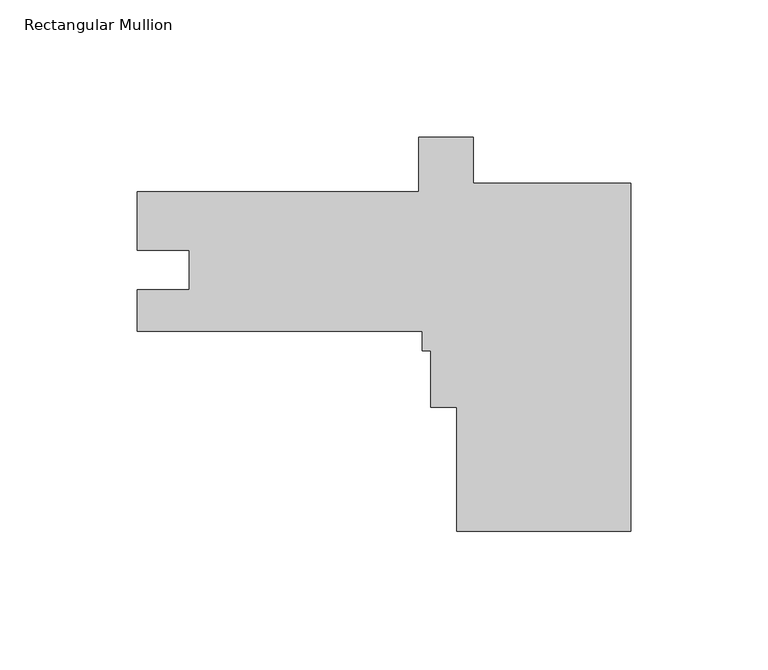
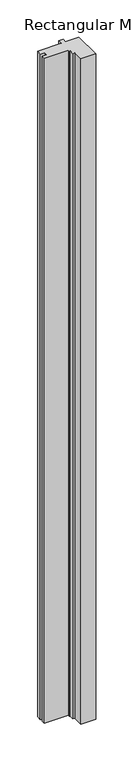
"""IFC4 building model written with IfcOpenShell, lengths in millimetres: member geometry, Rectangular Mullion."""

from ifc_helpers import new_model, si_unit, frame, origin, place, context, project, spatial, polyline, outline, extrude, source, transform, mapped, element, save


def rectangular_mullion_1aeacaa6(model_context):
    return source(origin(), model_context, "Body", "SweptSolid", [
        extrude(outline(polyline([(-63.5, -127.0166242), (-63.5, -81.7789702), (-73.025, -81.7789702), (-73.025, -61.1541702), (-76.2, -61.1541702), (-76.2, -53.9916242), (-180.1812513, -53.9916242), (-180.1812513, -38.8913242), (-161.1566513, -38.8913242), (-161.1566513, -24.5784308), (-180.18125, -24.5784308), (-180.18125, -3.1916242), (-77.3963273, -3.1916242), (-77.3963273, 16.7724416), (-57.4867094, 16.7724416), (-57.4867094, 0.0), (0.0, 0.0), (0.0, -127.0166242), (-63.5, -127.0166242)])), frame((0.0, 0.0, -3048.0), z_axis=(0.0, 0.0, 1.0), x_axis=(1.0, 0.0, 0.0)), (0.0, 0.0, 1.0), 3048.0),
    ])


if __name__ == "__main__":
    model = new_model("IFC4")
    model_context = context("Model", 3, world=origin())
    ifc_project = project(units=[si_unit("LENGTHUNIT", "METRE", prefix="MILLI")], contexts=[model_context])
    site = spatial("IfcSite", under=ifc_project)
    building = spatial("IfcBuilding", under=site)
    placement = place(None, origin())
    rectangular_mullion_shape = rectangular_mullion_1aeacaa6(model_context)
    element("IfcMember", 1, ObjectType="Rectangular Mullion", at=placement, inside=building, context=model_context, shape_type="MappedRepresentation", body=[
        mapped(rectangular_mullion_shape, transform((0.0, 0.0, 0.0), x_axis=(1.0, 0.0, 0.0), y_axis=(0.0, 1.0, 0.0), z_axis=(0.0, 0.0, 1.0))),
    ])
    save(model, "model.ifc")
